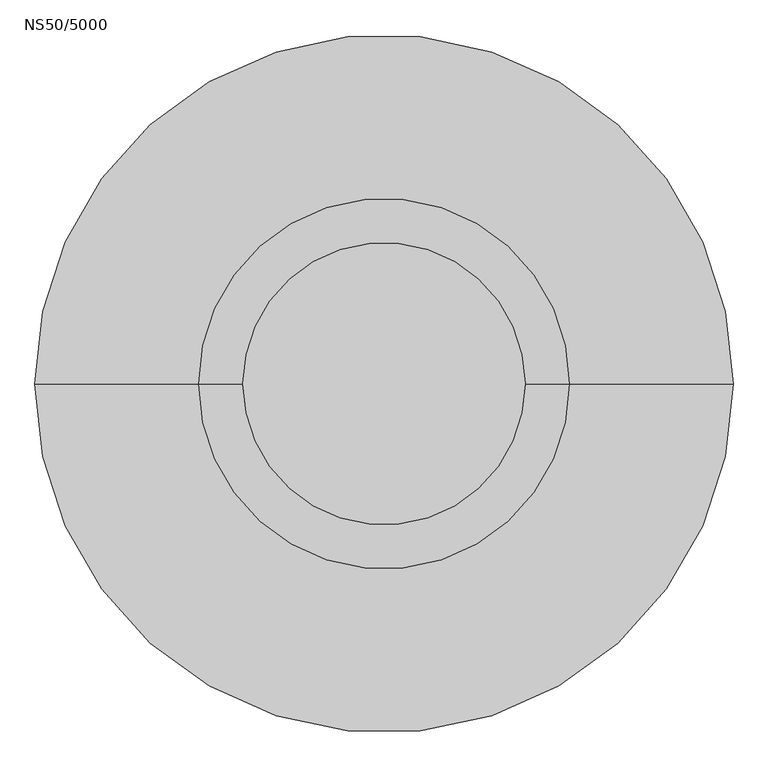
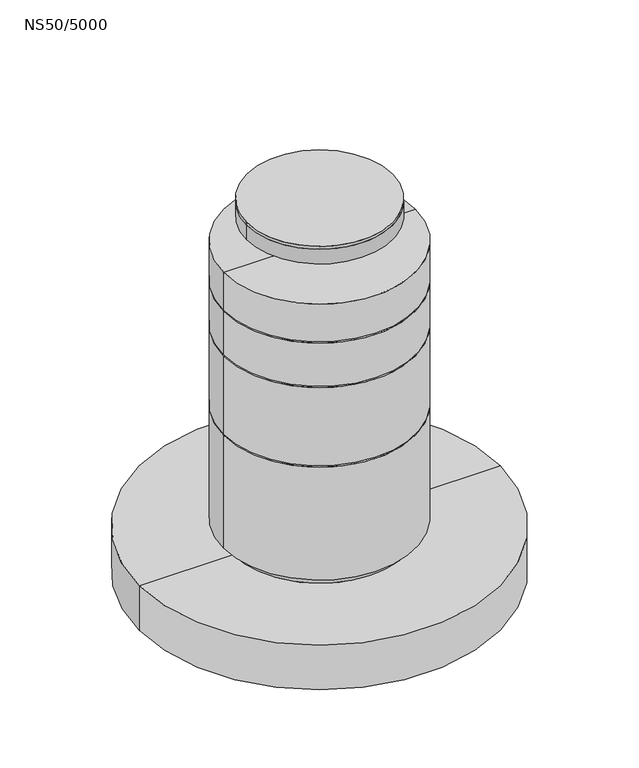
"""IFC4 building model written with IfcOpenShell, lengths in millimetres: proxy geometry, NS50/5000."""

from ifc_helpers import new_model, si_unit, point, frame, origin, origin_2d, place, context, project, spatial, polyline, circle_curve, trimmed, segment, composite_curve, outline, extrude, source, transform, mapped, element, save
from ifc_brep_helpers import plane_surface, cylinder_surface, revolved_surface, advanced_brep


def ns50_5000_d7f655bc(model_context):
    return source(origin(), model_context, "Body", "SolidModel", [
        advanced_brep(
        [(500.0, 0.0, -1455.0), (-500.0, 0.0, -1455.0), (-500.0, 0.0, -2205.0), (500.0, 0.0, -2205.0), (530.0, 0.0, -1455.0), (-530.0, 0.0, -1455.0), (530.0, 0.0, -1475.0), (-530.0, 0.0, -1475.0), (650.0, 0.0, -1475.0), (-650.0, 0.0, -1475.0), (650.0, 0.0, -2285.0), (-650.0, 0.0, -2285.0), (595.0, 0.0, -2285.0), (-595.0, 0.0, -2285.0), (595.0, 0.0, -2205.0), (-595.0, 0.0, -2205.0)],
        [
            (0, 1, circle_curve(frame((0.0, 0.0, -1455.0), z_axis=(0.0, 0.0, 1.0), x_axis=(-1.0, 0.0, 0.0)), 500.0)),
            (1, 2),
            (2, 3, circle_curve(frame((0.0, 0.0, -2205.0), z_axis=(0.0, 0.0, -1.0), x_axis=(-1.0, 0.0, 0.0)), 500.0)),
            (3, 0),
            (1, 0, circle_curve(frame((0.0, 0.0, -1455.0), z_axis=(0.0, 0.0, 1.0), x_axis=(-1.0, 0.0, 0.0)), 500.0)),
            (3, 2, circle_curve(frame((0.0, 0.0, -2205.0), z_axis=(0.0, 0.0, -1.0), x_axis=(-1.0, 0.0, 0.0)), 500.0)),
            (4, 5, circle_curve(frame((0.0, 0.0, -1455.0), z_axis=(0.0, 0.0, 1.0), x_axis=(-1.0, 0.0, 0.0)), 530.0)),
            (5, 1),
            (0, 4),
            (5, 4, circle_curve(frame((0.0, 0.0, -1455.0), z_axis=(0.0, 0.0, 1.0), x_axis=(-1.0, 0.0, 0.0)), 530.0)),
            (6, 7, circle_curve(frame((0.0, 0.0, -1475.0), z_axis=(0.0, 0.0, 1.0), x_axis=(-1.0, 0.0, 0.0)), 530.0)),
            (7, 5),
            (4, 6),
            (7, 6, circle_curve(frame((0.0, 0.0, -1475.0), z_axis=(0.0, 0.0, 1.0), x_axis=(-1.0, 0.0, 0.0)), 530.0)),
            (8, 9, circle_curve(frame((0.0, 0.0, -1475.0), z_axis=(0.0, 0.0, 1.0), x_axis=(-1.0, 0.0, 0.0)), 650.0)),
            (9, 7),
            (6, 8),
            (9, 8, circle_curve(frame((0.0, 0.0, -1475.0), z_axis=(0.0, 0.0, 1.0), x_axis=(-1.0, 0.0, 0.0)), 650.0)),
            (10, 11, circle_curve(frame((0.0, 0.0, -2285.0), z_axis=(0.0, 0.0, 1.0), x_axis=(-1.0, 0.0, 0.0)), 650.0)),
            (11, 9),
            (8, 10),
            (11, 10, circle_curve(frame((0.0, 0.0, -2285.0), z_axis=(0.0, 0.0, 1.0), x_axis=(-1.0, 0.0, 0.0)), 650.0)),
            (12, 13, circle_curve(frame((0.0, 0.0, -2285.0), z_axis=(0.0, 0.0, 1.0), x_axis=(-1.0, 0.0, 0.0)), 595.0)),
            (13, 11),
            (10, 12),
            (13, 12, circle_curve(frame((0.0, 0.0, -2285.0), z_axis=(0.0, 0.0, 1.0), x_axis=(-1.0, 0.0, 0.0)), 595.0)),
            (14, 15, circle_curve(frame((0.0, 0.0, -2205.0), z_axis=(0.0, 0.0, 1.0), x_axis=(-1.0, 0.0, 0.0)), 595.0)),
            (15, 13),
            (12, 14),
            (15, 14, circle_curve(frame((0.0, 0.0, -2205.0), z_axis=(0.0, 0.0, 1.0), x_axis=(-1.0, 0.0, 0.0)), 595.0)),
            (2, 15),
            (14, 3),
        ],
        [
            revolved_surface(polyline([(-500.0, 0.0, -2205.0), (-500.0, 0.0, -1455.0)]), (0.0, 0.0, 1865.0), (0.0, 0.0, -1.0)),
            plane_surface(frame((0.0, 0.0, -1455.0), z_axis=(0.0, 0.0, 1.0), x_axis=(-1.0, 0.0, 0.0))),
            cylinder_surface(frame((0.0, 0.0, 1865.0), z_axis=(0.0, 0.0, -1.0), x_axis=(-1.0, 0.0, 0.0)), 530.0),
            plane_surface(frame((0.0, 0.0, -1475.0), z_axis=(0.0, 0.0, 1.0), x_axis=(-1.0, 0.0, 0.0))),
            cylinder_surface(frame((0.0, 0.0, 1865.0), z_axis=(0.0, 0.0, -1.0), x_axis=(-1.0, 0.0, 0.0)), 650.0),
            plane_surface(frame((0.0, 0.0, -2285.0), z_axis=(0.0, 0.0, -1.0), x_axis=(-1.0, 0.0, 0.0))),
            revolved_surface(polyline([(-595.0, 0.0, -2285.0), (-595.0, 0.0, -2205.0)]), (0.0, 0.0, 1865.0), (0.0, 0.0, -1.0)),
            plane_surface(frame((0.0, 0.0, -2205.0), z_axis=(0.0, 0.0, -1.0), x_axis=(-1.0, 0.0, 0.0))),
        ],
        [
            (0, [[1, 2, 3, 4]]),
            (0, [[5, -4, 6, -2]]),
            (1, [[7, 8, -1, 9]]),
            (1, [[10, -9, -5, -8]]),
            (2, [[11, 12, -7, 13]]),
            (2, [[14, -13, -10, -12]]),
            (3, [[15, 16, -11, 17]]),
            (3, [[18, -17, -14, -16]]),
            (4, [[19, 20, -15, 21]]),
            (4, [[22, -21, -18, -20]]),
            (5, [[23, 24, -19, 25]]),
            (5, [[26, -25, -22, -24]]),
            (6, [[27, 28, -23, 29]]),
            (6, [[30, -29, -26, -28]]),
            (7, [[-3, 31, -27, 32]]),
            (7, [[-6, -32, -30, -31]]),
        ],
    ),
        advanced_brep(
        [(500.0, 0.0, -885.0), (-500.0, 0.0, -885.0), (-500.0, 0.0, -1385.0), (500.0, 0.0, -1385.0), (530.0, 0.0, -885.0), (-530.0, 0.0, -885.0), (530.0, 0.0, -905.0), (-530.0, 0.0, -905.0), (650.0, 0.0, -905.0), (-650.0, 0.0, -905.0), (650.0, 0.0, -1465.0), (-650.0, 0.0, -1465.0), (595.0, 0.0, -1465.0), (-595.0, 0.0, -1465.0), (595.0, 0.0, -1385.0), (-595.0, 0.0, -1385.0)],
        [
            (0, 1, circle_curve(frame((0.0, 0.0, -885.0), z_axis=(0.0, 0.0, 1.0), x_axis=(-1.0, 0.0, 0.0)), 500.0)),
            (1, 2),
            (2, 3, circle_curve(frame((0.0, 0.0, -1385.0), z_axis=(0.0, 0.0, -1.0), x_axis=(-1.0, 0.0, 0.0)), 500.0)),
            (3, 0),
            (1, 0, circle_curve(frame((0.0, 0.0, -885.0), z_axis=(0.0, 0.0, 1.0), x_axis=(-1.0, 0.0, 0.0)), 500.0)),
            (3, 2, circle_curve(frame((0.0, 0.0, -1385.0), z_axis=(0.0, 0.0, -1.0), x_axis=(-1.0, 0.0, 0.0)), 500.0)),
            (4, 5, circle_curve(frame((0.0, 0.0, -885.0), z_axis=(0.0, 0.0, 1.0), x_axis=(-1.0, 0.0, 0.0)), 530.0)),
            (5, 1),
            (0, 4),
            (5, 4, circle_curve(frame((0.0, 0.0, -885.0), z_axis=(0.0, 0.0, 1.0), x_axis=(-1.0, 0.0, 0.0)), 530.0)),
            (6, 7, circle_curve(frame((0.0, 0.0, -905.0), z_axis=(0.0, 0.0, 1.0), x_axis=(-1.0, 0.0, 0.0)), 530.0)),
            (7, 5),
            (4, 6),
            (7, 6, circle_curve(frame((0.0, 0.0, -905.0), z_axis=(0.0, 0.0, 1.0), x_axis=(-1.0, 0.0, 0.0)), 530.0)),
            (8, 9, circle_curve(frame((0.0, 0.0, -905.0), z_axis=(0.0, 0.0, 1.0), x_axis=(-1.0, 0.0, 0.0)), 650.0)),
            (9, 7),
            (6, 8),
            (9, 8, circle_curve(frame((0.0, 0.0, -905.0), z_axis=(0.0, 0.0, 1.0), x_axis=(-1.0, 0.0, 0.0)), 650.0)),
            (10, 11, circle_curve(frame((0.0, 0.0, -1465.0), z_axis=(0.0, 0.0, 1.0), x_axis=(-1.0, 0.0, 0.0)), 650.0)),
            (11, 9),
            (8, 10),
            (11, 10, circle_curve(frame((0.0, 0.0, -1465.0), z_axis=(0.0, 0.0, 1.0), x_axis=(-1.0, 0.0, 0.0)), 650.0)),
            (12, 13, circle_curve(frame((0.0, 0.0, -1465.0), z_axis=(0.0, 0.0, 1.0), x_axis=(-1.0, 0.0, 0.0)), 595.0)),
            (13, 11),
            (10, 12),
            (13, 12, circle_curve(frame((0.0, 0.0, -1465.0), z_axis=(0.0, 0.0, 1.0), x_axis=(-1.0, 0.0, 0.0)), 595.0)),
            (14, 15, circle_curve(frame((0.0, 0.0, -1385.0), z_axis=(0.0, 0.0, 1.0), x_axis=(-1.0, 0.0, 0.0)), 595.0)),
            (15, 13),
            (12, 14),
            (15, 14, circle_curve(frame((0.0, 0.0, -1385.0), z_axis=(0.0, 0.0, 1.0), x_axis=(-1.0, 0.0, 0.0)), 595.0)),
            (2, 15),
            (14, 3),
        ],
        [
            revolved_surface(polyline([(-500.0, 0.0, -1385.0), (-500.0, 0.0, -885.0)]), (0.0, 0.0, 2685.0), (0.0, 0.0, -1.0)),
            plane_surface(frame((0.0, 0.0, -885.0), z_axis=(0.0, 0.0, 1.0), x_axis=(-1.0, 0.0, 0.0))),
            cylinder_surface(frame((0.0, 0.0, 2685.0), z_axis=(0.0, 0.0, -1.0), x_axis=(-1.0, 0.0, 0.0)), 530.0),
            plane_surface(frame((0.0, 0.0, -905.0), z_axis=(0.0, 0.0, 1.0), x_axis=(-1.0, 0.0, 0.0))),
            cylinder_surface(frame((0.0, 0.0, 2685.0), z_axis=(0.0, 0.0, -1.0), x_axis=(-1.0, 0.0, 0.0)), 650.0),
            plane_surface(frame((0.0, 0.0, -1465.0), z_axis=(0.0, 0.0, -1.0), x_axis=(-1.0, 0.0, 0.0))),
            revolved_surface(polyline([(-595.0, 0.0, -1465.0), (-595.0, 0.0, -1385.0)]), (0.0, 0.0, 2685.0), (0.0, 0.0, -1.0)),
            plane_surface(frame((0.0, 0.0, -1385.0), z_axis=(0.0, 0.0, -1.0), x_axis=(-1.0, 0.0, 0.0))),
        ],
        [
            (0, [[1, 2, 3, 4]]),
            (0, [[5, -4, 6, -2]]),
            (1, [[7, 8, -1, 9]]),
            (1, [[10, -9, -5, -8]]),
            (2, [[11, 12, -7, 13]]),
            (2, [[14, -13, -10, -12]]),
            (3, [[15, 16, -11, 17]]),
            (3, [[18, -17, -14, -16]]),
            (4, [[19, 20, -15, 21]]),
            (4, [[22, -21, -18, -20]]),
            (5, [[23, 24, -19, 25]]),
            (5, [[26, -25, -22, -24]]),
            (6, [[27, 28, -23, 29]]),
            (6, [[30, -29, -26, -28]]),
            (7, [[-3, 31, -27, 32]]),
            (7, [[-6, -32, -30, -31]]),
        ],
    ),
        advanced_brep(
        [(1225.0, 0.0, -2350.1822102), (-1225.0, 0.0, -2350.1822102), (-590.0, 0.0, -2350.1822102), (590.0, 0.0, -2350.1822102), (1225.0, 0.0, -2670.1822102), (-1225.0, 0.0, -2670.1822102), (1165.0, 0.0, -2670.1822102), (-1165.0, 0.0, -2670.1822102), (1165.0, 0.0, -2590.1822102), (-1165.0, 0.0, -2590.1822102), (0.0, 0.0, -2590.1822102), (-590.0, 0.0, -2275.0), (590.0, 0.0, -2275.0)],
        [
            (0, 1, circle_curve(frame((0.0, 0.0, -2350.1822102), z_axis=(0.0, 0.0, 1.0), x_axis=(-1.0, 0.0, 0.0)), 1225.0)),
            (1, 2),
            (2, 3, circle_curve(frame((0.0, 0.0, -2350.1822102), z_axis=(0.0, 0.0, -1.0), x_axis=(1.0, 0.0, 0.0)), 590.0)),
            (3, 0),
            (1, 0, circle_curve(frame((0.0, 0.0, -2350.1822102), z_axis=(0.0, 0.0, 1.0), x_axis=(-1.0, 0.0, 0.0)), 1225.0)),
            (3, 2, circle_curve(frame((0.0, 0.0, -2350.1822102), z_axis=(0.0, 0.0, -1.0), x_axis=(1.0, 0.0, 0.0)), 590.0)),
            (0, 4),
            (4, 5, circle_curve(frame((0.0, 0.0, -2670.1822102), z_axis=(0.0, 0.0, 1.0), x_axis=(-1.0, 0.0, 0.0)), 1225.0)),
            (5, 1),
            (5, 4, circle_curve(frame((0.0, 0.0, -2670.1822102), z_axis=(0.0, 0.0, 1.0), x_axis=(-1.0, 0.0, 0.0)), 1225.0)),
            (4, 6),
            (6, 7, circle_curve(frame((0.0, 0.0, -2670.1822102), z_axis=(0.0, 0.0, 1.0), x_axis=(-1.0, 0.0, 0.0)), 1165.0)),
            (7, 5),
            (7, 6, circle_curve(frame((0.0, 0.0, -2670.1822102), z_axis=(0.0, 0.0, 1.0), x_axis=(-1.0, 0.0, 0.0)), 1165.0)),
            (6, 8),
            (8, 9, circle_curve(frame((0.0, 0.0, -2590.1822102), z_axis=(0.0, 0.0, 1.0), x_axis=(-1.0, 0.0, 0.0)), 1165.0)),
            (9, 7),
            (9, 8, circle_curve(frame((0.0, 0.0, -2590.1822102), z_axis=(0.0, 0.0, 1.0), x_axis=(-1.0, 0.0, 0.0)), 1165.0)),
            (8, 10),
            (10, 9),
            (11, 12, circle_curve(frame((0.0, 0.0, -2275.0), z_axis=(0.0, 0.0, 1.0), x_axis=(1.0, 0.0, 0.0)), 590.0)),
            (12, 11, circle_curve(frame((0.0, 0.0, -2275.0), z_axis=(0.0, 0.0, 1.0), x_axis=(1.0, 0.0, 0.0)), 590.0)),
            (11, 2),
            (3, 12),
        ],
        [
            plane_surface(frame((0.0, 0.0, -2350.1822102), z_axis=(0.0, 0.0, 1.0), x_axis=(-1.0, 0.0, 0.0))),
            cylinder_surface(frame((0.0, 0.0, -2350.1822102), z_axis=(0.0, 0.0, -1.0), x_axis=(-1.0, 0.0, 0.0)), 1225.0),
            plane_surface(frame((0.0, 0.0, -2670.1822102), z_axis=(0.0, 0.0, -1.0), x_axis=(-1.0, 0.0, 0.0))),
            revolved_surface(polyline([(-1165.0, 0.0, -2670.1822102), (-1165.0, 0.0, -2590.1822102)]), (0.0, 0.0, -2350.1822102), (0.0, 0.0, -1.0)),
            plane_surface(frame((0.0, 0.0, -2590.1822102), z_axis=(0.0, 0.0, -1.0), x_axis=(-1.0, 0.0, 0.0))),
            plane_surface(frame((590.0, 0.0, -2275.0), z_axis=(0.0, 0.0, 1.0), x_axis=(0.0, 1.0, 0.0))),
            cylinder_surface(frame((0.0, 0.0, -2350.1822102), z_axis=(0.0, 0.0, 1.0), x_axis=(1.0, 0.0, 0.0)), 590.0),
        ],
        [
            (0, [[1, 2, 3, 4]]),
            (0, [[5, -4, 6, -2]]),
            (1, [[-1, 7, 8, 9]]),
            (1, [[-5, -9, 10, -7]]),
            (2, [[-8, 11, 12, 13]]),
            (2, [[-10, -13, 14, -11]]),
            (3, [[-12, 15, 16, 17]]),
            (3, [[-14, -17, 18, -15]]),
            (4, [[-16, 19, 20]]),
            (4, [[-18, -20, -19]]),
            (5, [[21, 22]]),
            (6, [[-21, 23, -6, 24]]),
            (6, [[-22, -24, -3, -23]]),
        ],
    ),
        advanced_brep(
        [(500.0, 0.0, -565.0), (-500.0, 0.0, -565.0), (-500.0, 0.0, -815.0), (500.0, 0.0, -815.0), (530.0, 0.0, -565.0), (-530.0, 0.0, -565.0), (530.0, 0.0, -585.0), (-530.0, 0.0, -585.0), (650.0, 0.0, -585.0), (-650.0, 0.0, -585.0), (650.0, 0.0, -895.0), (-650.0, 0.0, -895.0), (595.0, 0.0, -895.0), (-595.0, 0.0, -895.0), (595.0, 0.0, -815.0), (-595.0, 0.0, -815.0)],
        [
            (0, 1, circle_curve(frame((0.0, 0.0, -565.0), z_axis=(0.0, 0.0, 1.0), x_axis=(-1.0, 0.0, 0.0)), 500.0)),
            (1, 2),
            (2, 3, circle_curve(frame((0.0, 0.0, -815.0), z_axis=(0.0, 0.0, -1.0), x_axis=(-1.0, 0.0, 0.0)), 500.0)),
            (3, 0),
            (1, 0, circle_curve(frame((0.0, 0.0, -565.0), z_axis=(0.0, 0.0, 1.0), x_axis=(-1.0, 0.0, 0.0)), 500.0)),
            (3, 2, circle_curve(frame((0.0, 0.0, -815.0), z_axis=(0.0, 0.0, -1.0), x_axis=(-1.0, 0.0, 0.0)), 500.0)),
            (4, 5, circle_curve(frame((0.0, 0.0, -565.0), z_axis=(0.0, 0.0, 1.0), x_axis=(-1.0, 0.0, 0.0)), 530.0)),
            (5, 1),
            (0, 4),
            (5, 4, circle_curve(frame((0.0, 0.0, -565.0), z_axis=(0.0, 0.0, 1.0), x_axis=(-1.0, 0.0, 0.0)), 530.0)),
            (6, 7, circle_curve(frame((0.0, 0.0, -585.0), z_axis=(0.0, 0.0, 1.0), x_axis=(-1.0, 0.0, 0.0)), 530.0)),
            (7, 5),
            (4, 6),
            (7, 6, circle_curve(frame((0.0, 0.0, -585.0), z_axis=(0.0, 0.0, 1.0), x_axis=(-1.0, 0.0, 0.0)), 530.0)),
            (8, 9, circle_curve(frame((0.0, 0.0, -585.0), z_axis=(0.0, 0.0, 1.0), x_axis=(-1.0, 0.0, 0.0)), 650.0)),
            (9, 7),
            (6, 8),
            (9, 8, circle_curve(frame((0.0, 0.0, -585.0), z_axis=(0.0, 0.0, 1.0), x_axis=(-1.0, 0.0, 0.0)), 650.0)),
            (10, 11, circle_curve(frame((0.0, 0.0, -895.0), z_axis=(0.0, 0.0, 1.0), x_axis=(-1.0, 0.0, 0.0)), 650.0)),
            (11, 9),
            (8, 10),
            (11, 10, circle_curve(frame((0.0, 0.0, -895.0), z_axis=(0.0, 0.0, 1.0), x_axis=(-1.0, 0.0, 0.0)), 650.0)),
            (12, 13, circle_curve(frame((0.0, 0.0, -895.0), z_axis=(0.0, 0.0, 1.0), x_axis=(-1.0, 0.0, 0.0)), 595.0)),
            (13, 11),
            (10, 12),
            (13, 12, circle_curve(frame((0.0, 0.0, -895.0), z_axis=(0.0, 0.0, 1.0), x_axis=(-1.0, 0.0, 0.0)), 595.0)),
            (14, 15, circle_curve(frame((0.0, 0.0, -815.0), z_axis=(0.0, 0.0, 1.0), x_axis=(-1.0, 0.0, 0.0)), 595.0)),
            (15, 13),
            (12, 14),
            (15, 14, circle_curve(frame((0.0, 0.0, -815.0), z_axis=(0.0, 0.0, 1.0), x_axis=(-1.0, 0.0, 0.0)), 595.0)),
            (2, 15),
            (14, 3),
        ],
        [
            revolved_surface(polyline([(-500.0, 0.0, -815.0), (-500.0, 0.0, -565.0)]), (0.0, 0.0, 3255.0), (0.0, 0.0, -1.0)),
            plane_surface(frame((0.0, 0.0, -565.0), z_axis=(0.0, 0.0, 1.0), x_axis=(-1.0, 0.0, 0.0))),
            cylinder_surface(frame((0.0, 0.0, 3255.0), z_axis=(0.0, 0.0, -1.0), x_axis=(-1.0, 0.0, 0.0)), 530.0),
            plane_surface(frame((0.0, 0.0, -585.0), z_axis=(0.0, 0.0, 1.0), x_axis=(-1.0, 0.0, 0.0))),
            cylinder_surface(frame((0.0, 0.0, 3255.0), z_axis=(0.0, 0.0, -1.0), x_axis=(-1.0, 0.0, 0.0)), 650.0),
            plane_surface(frame((0.0, 0.0, -895.0), z_axis=(0.0, 0.0, -1.0), x_axis=(-1.0, 0.0, 0.0))),
            revolved_surface(polyline([(-595.0, 0.0, -895.0), (-595.0, 0.0, -815.0)]), (0.0, 0.0, 3255.0), (0.0, 0.0, -1.0)),
            plane_surface(frame((0.0, 0.0, -815.0), z_axis=(0.0, 0.0, -1.0), x_axis=(-1.0, 0.0, 0.0))),
        ],
        [
            (0, [[1, 2, 3, 4]]),
            (0, [[5, -4, 6, -2]]),
            (1, [[7, 8, -1, 9]]),
            (1, [[10, -9, -5, -8]]),
            (2, [[11, 12, -7, 13]]),
            (2, [[14, -13, -10, -12]]),
            (3, [[15, 16, -11, 17]]),
            (3, [[18, -17, -14, -16]]),
            (4, [[19, 20, -15, 21]]),
            (4, [[22, -21, -18, -20]]),
            (5, [[23, 24, -19, 25]]),
            (5, [[26, -25, -22, -24]]),
            (6, [[27, 28, -23, 29]]),
            (6, [[30, -29, -26, -28]]),
            (7, [[-3, 31, -27, 32]]),
            (7, [[-6, -32, -30, -31]]),
        ],
    ),
        extrude(outline(composite_curve([segment(trimmed(circle_curve(origin_2d(), 495.0), [point((-495.0, 0.0))], [point((495.0, 0.0))], False, "CARTESIAN"), True, "CONTINUOUS"), segment(trimmed(circle_curve(origin_2d(), 495.0), [point((495.0, 0.0))], [point((-495.0, 0.0))], False, "CARTESIAN"), True, "CONTINUOUS")], self_intersect=False)), frame((0.0, 0.0, -20.0), z_axis=(0.0, 0.0, 1.0), x_axis=(1.0, 0.0, 0.0)), (0.0, 0.0, 1.0), 20.0),
        extrude(outline(composite_curve([segment(trimmed(circle_curve(origin_2d(), 495.0), [point((-495.0, 0.0))], [point((495.0, 0.0))], False, "CARTESIAN"), True, "CONTINUOUS"), segment(trimmed(circle_curve(origin_2d(), 495.0), [point((495.0, 0.0))], [point((-495.0, 0.0))], False, "CARTESIAN"), True, "CONTINUOUS")], self_intersect=False)), frame((0.0, 0.0, -125.0), z_axis=(0.0, 0.0, 1.0), x_axis=(1.0, 0.0, 0.0)), (0.0, 0.0, 1.0), 105.0),
        advanced_brep(
        [(650.0, 0.0, -305.0), (-650.0, 0.0, -305.0), (0.0, 0.0, -305.0), (650.0, 0.0, -575.0), (-650.0, 0.0, -575.0), (590.0, 0.0, -575.0), (-590.0, 0.0, -575.0), (590.0, 0.0, -495.0), (-590.0, 0.0, -495.0), (0.0, 0.0, -495.0)],
        [
            (0, 1, circle_curve(frame((0.0, 0.0, -305.0), z_axis=(0.0, 0.0, 1.0), x_axis=(-1.0, 0.0, 0.0)), 650.0)),
            (1, 2),
            (2, 0),
            (1, 0, circle_curve(frame((0.0, 0.0, -305.0), z_axis=(0.0, 0.0, 1.0), x_axis=(-1.0, 0.0, 0.0)), 650.0)),
            (3, 4, circle_curve(frame((0.0, 0.0, -575.0), z_axis=(0.0, 0.0, 1.0), x_axis=(-1.0, 0.0, 0.0)), 650.0)),
            (4, 1),
            (0, 3),
            (4, 3, circle_curve(frame((0.0, 0.0, -575.0), z_axis=(0.0, 0.0, 1.0), x_axis=(-1.0, 0.0, 0.0)), 650.0)),
            (5, 6, circle_curve(frame((0.0, 0.0, -575.0), z_axis=(0.0, 0.0, 1.0), x_axis=(-1.0, 0.0, 0.0)), 590.0)),
            (6, 4),
            (3, 5),
            (6, 5, circle_curve(frame((0.0, 0.0, -575.0), z_axis=(0.0, 0.0, 1.0), x_axis=(-1.0, 0.0, 0.0)), 590.0)),
            (7, 8, circle_curve(frame((0.0, 0.0, -495.0), z_axis=(0.0, 0.0, 1.0), x_axis=(-1.0, 0.0, 0.0)), 590.0)),
            (8, 6),
            (5, 7),
            (8, 7, circle_curve(frame((0.0, 0.0, -495.0), z_axis=(0.0, 0.0, 1.0), x_axis=(-1.0, 0.0, 0.0)), 590.0)),
            (9, 8),
            (7, 9),
        ],
        [
            plane_surface(frame((0.0, 0.0, -305.0), z_axis=(0.0, 0.0, 1.0), x_axis=(-1.0, 0.0, 0.0))),
            cylinder_surface(frame((0.0, 0.0, -290.0), z_axis=(0.0, 0.0, -1.0), x_axis=(-1.0, 0.0, 0.0)), 650.0),
            plane_surface(frame((0.0, 0.0, -575.0), z_axis=(0.0, 0.0, -1.0), x_axis=(-1.0, 0.0, 0.0))),
            revolved_surface(polyline([(-590.0, 0.0, -575.0), (-590.0, 0.0, -495.0)]), (0.0, 0.0, -290.0), (0.0, 0.0, -1.0)),
            plane_surface(frame((0.0, 0.0, -495.0), z_axis=(0.0, 0.0, -1.0), x_axis=(-1.0, 0.0, 0.0))),
        ],
        [
            (0, [[1, 2, 3]]),
            (0, [[4, -3, -2]]),
            (1, [[5, 6, -1, 7]]),
            (1, [[8, -7, -4, -6]]),
            (2, [[9, 10, -5, 11]]),
            (2, [[12, -11, -8, -10]]),
            (3, [[13, 14, -9, 15]]),
            (3, [[16, -15, -12, -14]]),
            (4, [[17, -13, 18]]),
            (4, [[-18, -16, -17]]),
        ],
    ),
    ])


if __name__ == "__main__":
    model = new_model("IFC4")
    model_context = context("Model", 3, world=origin())
    ifc_project = project(units=[si_unit("LENGTHUNIT", "METRE", prefix="MILLI")], contexts=[model_context])
    site = spatial("IfcSite", under=ifc_project)
    building = spatial("IfcBuilding", under=site)
    placement = place(None, origin())
    ns50_5000_shape = ns50_5000_d7f655bc(model_context)
    element("IfcBuildingElementProxy", 1, Name="NS50/5000", ObjectType="NS50/5000", at=placement, inside=building, context=model_context, shape_type="MappedRepresentation", body=[
        mapped(ns50_5000_shape, transform((0.0, 0.0, 0.0), x_axis=(1.0, 0.0, 0.0), y_axis=(0.0, 1.0, 0.0), z_axis=(0.0, 0.0, 1.0))),
    ])
    save(model, "model.ifc")
